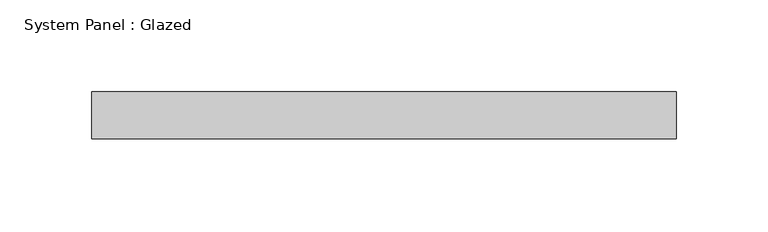
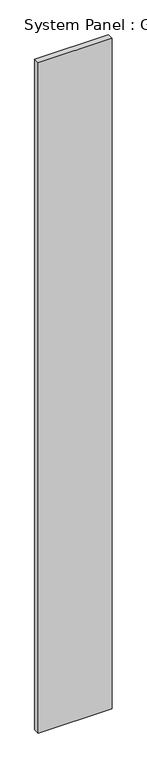
"""IFC4 building model written with IfcOpenShell, lengths in millimetres: plate geometry, System Panel : Glazed."""

from ifc_helpers import new_model, si_unit, origin, origin_with_axes, place, context, project, spatial, polyline, outline, extrude, source, transform, mapped, element, save


def system_panel_glazed_43e4ce24(model_context):
    return source(origin(), model_context, "Body", "SweptSolid", [
        extrude(outline(polyline([(158.75, 25.4), (-158.75, 25.4), (-158.75, 50.8), (158.75, 50.8), (158.75, 25.4)])), origin_with_axes(), (0.0, 0.0, 1.0), 3048.0),
    ])


if __name__ == "__main__":
    model = new_model("IFC4")
    model_context = context("Model", 3, world=origin())
    ifc_project = project(units=[si_unit("LENGTHUNIT", "METRE", prefix="MILLI")], contexts=[model_context])
    site = spatial("IfcSite", under=ifc_project)
    building = spatial("IfcBuilding", under=site)
    placement = place(None, origin())
    system_panel_glazed_shape = system_panel_glazed_43e4ce24(model_context)
    element("IfcPlate", 1, ObjectType="System Panel : Glazed", at=placement, inside=building, context=model_context, shape_type="MappedRepresentation", body=[
        mapped(system_panel_glazed_shape, transform((0.0, 0.0, 0.0), x_axis=(1.0, 0.0, 0.0), y_axis=(0.0, 1.0, 0.0), z_axis=(0.0, 0.0, 1.0))),
    ])
    save(model, "model.ifc")
